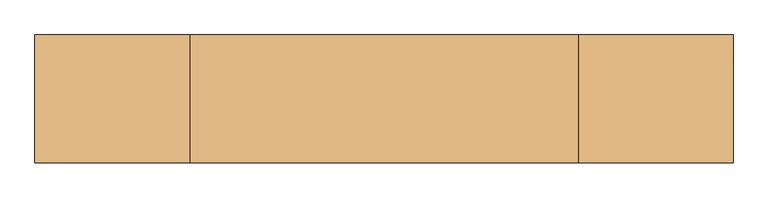
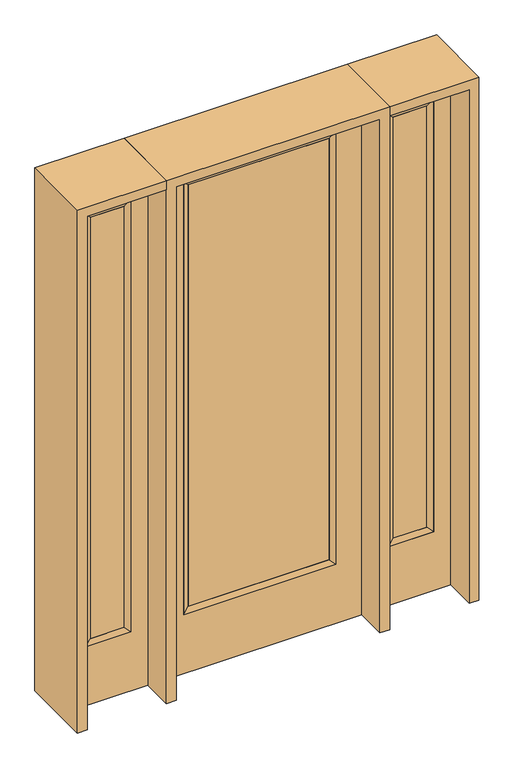
"""IFC4 building model written with IfcOpenShell, lengths in millimetres: door geometry."""

from ifc_helpers import new_model, si_unit, frame, origin, place, context, project, spatial, polyline, outline, extrude, faceted_brep, source, transform, mapped, element, save


def door_a4eeee51(model_context):
    return source(origin(), model_context, "Body", "SolidModel", [
        extrude(outline(polyline([(316.3824, -12.7039749), (-316.3824, -12.7039749), (-316.3824, 14.2875), (316.3824, 14.2875), (316.3824, -12.7039749)])), frame((0.0, 0.0, 304.8), z_axis=(0.0, 0.0, 1.0), x_axis=(1.0, 0.0, 0.0)), (0.0, 0.0, 1.0), 2000.25),
        faceted_brep([(316.3824, 14.2875, 2305.05), (341.7824, 22.225, 2330.45), (341.7824, 22.225, 279.4), (316.3824, 14.2875, 304.8), (341.7824, -22.225, 2330.45), (341.7824, -22.225, 279.4), (-341.7824, 22.225, 279.4), (-316.3824, 14.2875, 304.8), (316.3824, -12.7039749, 2305.05), (316.3824, -12.7039749, 304.8), (-316.3824, -12.7039749, 304.8), (-341.7824, -22.225, 279.4), (-341.7824, 22.225, 2330.45), (-316.3824, 14.2875, 2305.05), (-316.3824, -12.7039749, 2305.05), (-341.7824, -22.225, 2330.45)], [[[0, 1, 2, 3]], [[1, 4, 5, 2]], [[3, 2, 6, 7]], [[8, 0, 3, 9]], [[9, 3, 7, 10]], [[4, 8, 9, 5]], [[5, 9, 10, 11]], [[2, 5, 11, 6]], [[7, 6, 12, 13]], [[10, 7, 13, 14]], [[11, 10, 14, 15]], [[6, 11, 15, 12]], [[13, 12, 1, 0]], [[14, 13, 0, 8]], [[15, 14, 8, 4]], [[12, 15, 4, 1]]]),
        extrude(outline(polyline([(0.0, -457.2), (0.0, 457.2), (2438.4, 457.2), (2438.4, -457.2), (0.0, -457.2)]), holes=[polyline([(279.4, -341.7824), (2330.45, -341.7824), (2330.45, 341.7824), (279.4, 341.7824), (279.4, -341.7824)])]), frame((0.0, -22.225, 0.0), z_axis=(0.0, 1.0, 0.0), x_axis=(0.0, 0.0, 1.0)), (0.0, 0.0, 1.0), 44.45),
        faceted_brep([(577.85, 20.6375, 2330.45), (577.85, 20.6375, 279.4), (577.85, -20.6375, 279.4), (577.85, -20.6375, 2330.45), (603.25, -12.7, 304.8), (603.25, -12.7, 2305.05), (781.05, 20.6375, 279.4), (781.05, -20.6375, 279.4), (603.25, 12.7, 2305.05), (603.25, 12.7, 304.8), (755.65, 12.7, 304.8), (755.65, -12.7, 304.8), (781.05, 20.6375, 2330.45), (781.05, -20.6375, 2330.45), (755.65, 12.7, 2305.05), (755.65, -12.7, 2305.05)], [[[0, 1, 2, 3]], [[3, 2, 4, 5]], [[1, 6, 7, 2]], [[8, 9, 1, 0]], [[9, 10, 6, 1]], [[5, 4, 9, 8]], [[4, 11, 10, 9]], [[2, 7, 11, 4]], [[6, 12, 13, 7]], [[10, 14, 12, 6]], [[11, 15, 14, 10]], [[7, 13, 15, 11]], [[12, 0, 3, 13]], [[14, 8, 0, 12]], [[15, 5, 8, 14]], [[13, 3, 5, 15]]]),
        extrude(outline(polyline([(0.0, 857.25), (2438.4, 857.25), (2438.4, 501.65), (0.0, 501.65), (0.0, 857.25)]), holes=[polyline([(2330.45, 577.85), (2330.45, 781.05), (279.4, 781.05), (279.4, 577.85), (2330.45, 577.85)])]), frame((0.0, -20.6375, 0.0), z_axis=(0.0, 1.0, 0.0), x_axis=(0.0, 0.0, 1.0)), (0.0, 0.0, 1.0), 41.275),
        extrude(outline(polyline([(603.25, -12.7), (603.25, 12.7), (755.65, 12.7), (755.65, -12.7), (603.25, -12.7)])), frame((0.0, 0.0, 301.625), z_axis=(0.0, 0.0, 1.0), x_axis=(1.0, 0.0, 0.0)), (0.0, 0.0, 1.0), 2003.425),
        faceted_brep([(-577.85, 20.6375, 2330.45), (-577.85, -20.6375, 2330.45), (-577.85, -20.6375, 279.4), (-577.85, 20.6375, 279.4), (-603.25, -12.7, 2305.05), (-603.25, -12.7, 304.8), (-781.05, -20.6375, 279.4), (-781.05, 20.6375, 279.4), (-603.25, 12.7, 2305.05), (-603.25, 12.7, 304.8), (-755.65, 12.7, 304.8), (-755.65, -12.7, 304.8), (-781.05, -20.6375, 2330.45), (-781.05, 20.6375, 2330.45), (-755.65, 12.7, 2305.05), (-755.65, -12.7, 2305.05)], [[[0, 1, 2, 3]], [[1, 4, 5, 2]], [[3, 2, 6, 7]], [[8, 0, 3, 9]], [[9, 3, 7, 10]], [[4, 8, 9, 5]], [[5, 9, 10, 11]], [[2, 5, 11, 6]], [[7, 6, 12, 13]], [[10, 7, 13, 14]], [[11, 10, 14, 15]], [[6, 11, 15, 12]], [[13, 12, 1, 0]], [[14, 13, 0, 8]], [[15, 14, 8, 4]], [[12, 15, 4, 1]]]),
        extrude(outline(polyline([(0.0, -857.25), (0.0, -501.65), (2438.4, -501.65), (2438.4, -857.25), (0.0, -857.25)]), holes=[polyline([(2330.45, -577.85), (279.4, -577.85), (279.4, -781.05), (2330.45, -781.05), (2330.45, -577.85)])]), frame((0.0, -20.6375, 0.0), z_axis=(0.0, 1.0, 0.0), x_axis=(0.0, 0.0, 1.0)), (0.0, 0.0, 1.0), 41.275),
        extrude(outline(polyline([(-603.25, -12.7), (-755.65, -12.7), (-755.65, 12.7), (-603.25, 12.7), (-603.25, -12.7)])), frame((0.0, 0.0, 301.625), z_axis=(0.0, 0.0, 1.0), x_axis=(1.0, 0.0, 0.0)), (0.0, 0.0, 1.0), 2003.425),
        extrude(outline(polyline([(2438.4, -501.65), (2482.85, -501.65), (2482.85, -901.7), (0.0, -901.7), (0.0, -857.25), (2438.4, -857.25), (2438.4, -501.65)])), frame((0.0, -165.1, 0.0), z_axis=(0.0, 1.0, 0.0), x_axis=(0.0, 0.0, 1.0)), (0.0, 0.0, 1.0), 330.2),
        extrude(outline(polyline([(2482.85, -501.65), (0.0, -501.65), (0.0, -457.2), (2438.4, -457.2), (2438.4, 457.2), (0.0, 457.2), (0.0, 501.65), (2482.85, 501.65), (2482.85, -501.65)])), frame((0.0, -165.1, 0.0), z_axis=(0.0, 1.0, 0.0), x_axis=(0.0, 0.0, 1.0)), (0.0, 0.0, 1.0), 330.2),
        extrude(outline(polyline([(0.0, 857.25), (0.0, 901.7), (2482.85, 901.7), (2482.85, 501.65), (2438.4, 501.65), (2438.4, 857.25), (0.0, 857.25)])), frame((0.0, -165.1, 0.0), z_axis=(0.0, 1.0, 0.0), x_axis=(0.0, 0.0, 1.0)), (0.0, 0.0, 1.0), 330.2),
    ])


if __name__ == "__main__":
    model = new_model("IFC4")
    model_context = context("Model", 3, world=origin())
    ifc_project = project(units=[si_unit("LENGTHUNIT", "METRE", prefix="MILLI")], contexts=[model_context])
    site = spatial("IfcSite", under=ifc_project)
    building = spatial("IfcBuilding", under=site)
    placement = place(None, origin())
    door_shape = door_a4eeee51(model_context)
    element("IfcDoor", 1, at=placement, inside=building, context=model_context, shape_type="MappedRepresentation", body=[
        mapped(door_shape, transform((0.0, 0.0, 0.0), x_axis=(1.0, 0.0, 0.0), y_axis=(0.0, 1.0, 0.0), z_axis=(0.0, 0.0, 1.0))),
    ])
    save(model, "model.ifc")
